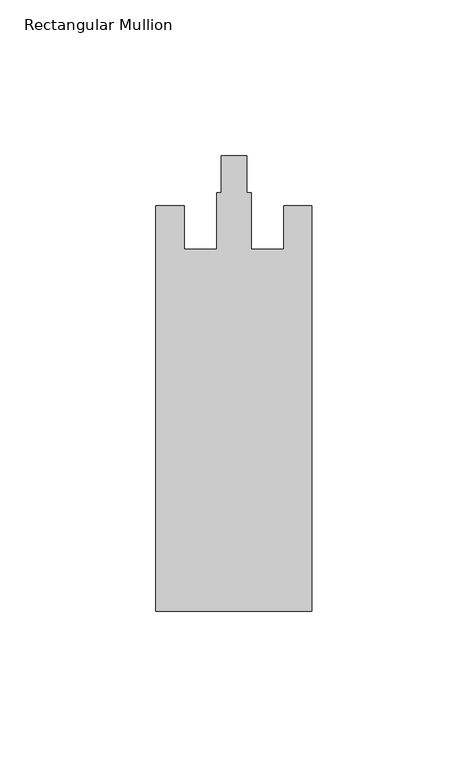
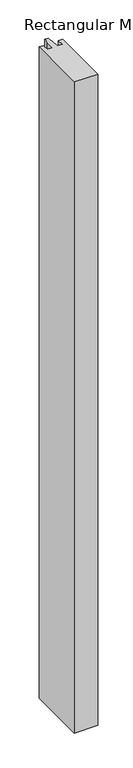
"""IFC4 building model written with IfcOpenShell, lengths in millimetres: member geometry, Rectangular Mullion."""

from ifc_helpers import new_model, si_unit, frame, origin, place, context, project, spatial, polyline, outline, extrude, source, transform, mapped, element, save


def rectangular_mullion_75ae69bb(model_context):
    return source(origin(), model_context, "Body", "SweptSolid", [
        extrude(outline(polyline([(0.0, -153.0), (-50.0, -153.0), (-50.0, -23.0), (-41.0, -23.0), (-41.0, -37.0), (-30.5, -37.0), (-30.5, -18.8), (-29.1, -18.8), (-29.1, -7.0), (-20.9, -7.0), (-20.9, -18.8), (-19.5, -18.8), (-19.5, -37.0), (-9.0, -37.0), (-9.0, -23.0), (0.0, -23.0), (0.0, -153.0)])), frame((0.0, 0.0, -1475.0), z_axis=(0.0, 0.0, 1.0), x_axis=(1.0, 0.0, 0.0)), (0.0, 0.0, 1.0), 1475.0),
    ])


if __name__ == "__main__":
    model = new_model("IFC4")
    model_context = context("Model", 3, world=origin())
    ifc_project = project(units=[si_unit("LENGTHUNIT", "METRE", prefix="MILLI")], contexts=[model_context])
    site = spatial("IfcSite", under=ifc_project)
    building = spatial("IfcBuilding", under=site)
    placement = place(None, origin())
    rectangular_mullion_shape = rectangular_mullion_75ae69bb(model_context)
    element("IfcMember", 1, ObjectType="Rectangular Mullion", at=placement, inside=building, context=model_context, shape_type="MappedRepresentation", body=[
        mapped(rectangular_mullion_shape, transform((0.0, 0.0, 0.0), x_axis=(1.0, 0.0, 0.0), y_axis=(0.0, 1.0, 0.0), z_axis=(0.0, 0.0, 1.0))),
    ])
    save(model, "model.ifc")
